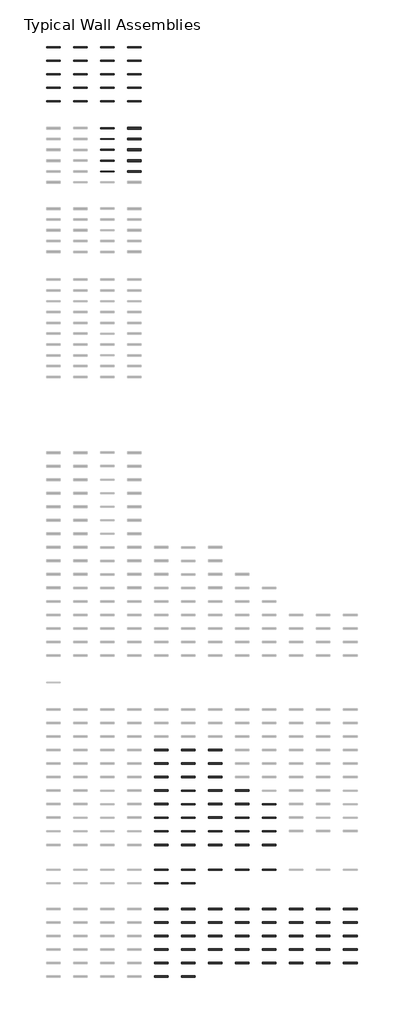
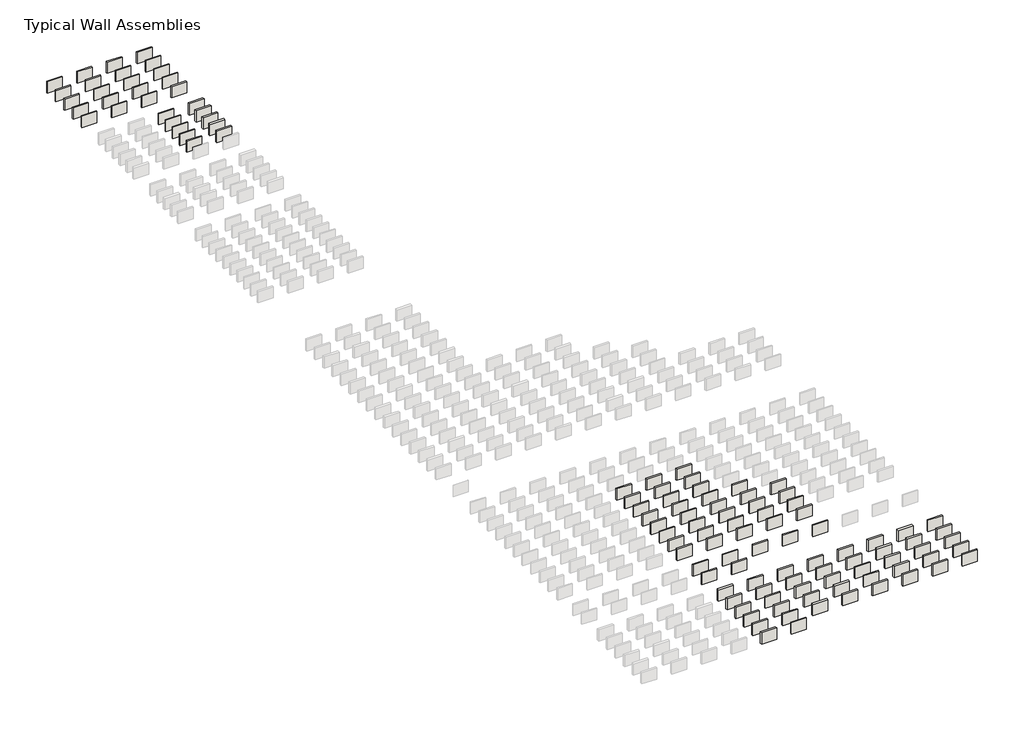
# One storey, part 3 of 8: 112 walls.
"""IFC4 building model written with IfcOpenShell, lengths in millimetres."""

from ifc_helpers import new_model, si_unit, frame, origin, place, context, project, spatial, polyline, outline, extrude, element, save

model = new_model("IFC4")

# Units and contexts
model_context = context("Model", 3, world=origin())
ifc_project = project(units=[si_unit("LENGTHUNIT", "METRE", prefix="MILLI")], contexts=[model_context])

# Site, building, storey
site = spatial("IfcSite", under=ifc_project)
building = spatial("IfcBuilding", under=site)
storey = spatial("IfcBuildingStorey", under=building, Name="Typical Wall Assemblies", Elevation=6096.0)

# Walls
placement = place(None, origin())
element("IfcWall", 1, at=placement, inside=storey, context=model_context, shape_type="SweptSolid", body=[
    extrude(outline(polyline([(-21027.125069, -1955.6842561), (-24075.125069, -1955.6842561), (-24075.125069, -1719.146749), (-21027.125069, -1719.146749), (-21027.125069, -1955.6842561)])), frame((0.0, 0.0, 6096.0), z_axis=(0.0, 0.0, 1.0), x_axis=(1.0, 0.0, 0.0)), (0.0, 0.0, 1.0), 2438.4),
])
element("IfcWall", 2, at=placement, inside=storey, context=model_context, shape_type="SweptSolid", body=[
    extrude(outline(polyline([(-14931.125069, -1950.9217561), (-17979.125069, -1950.9217561), (-17979.125069, -1723.909249), (-14931.125069, -1723.909249), (-14931.125069, -1950.9217561)])), frame((0.0, 0.0, 6096.0), z_axis=(0.0, 0.0, 1.0), x_axis=(1.0, 0.0, 0.0)), (0.0, 0.0, 1.0), 2438.4),
])
element("IfcWall", 3, at=placement, inside=storey, context=model_context, shape_type="SweptSolid", body=[
    extrude(outline(polyline([(-8835.125069, -1940.603005), (-11883.125069, -1940.603005), (-11883.125069, -1734.228), (-8835.125069, -1734.228), (-8835.125069, -1940.603005)])), frame((0.0, 0.0, 6096.0), z_axis=(0.0, 0.0, 1.0), x_axis=(1.0, 0.0, 0.0)), (0.0, 0.0, 1.0), 2438.4),
])
element("IfcWall", 4, at=placement, inside=storey, context=model_context, shape_type="SweptSolid", body=[
    extrude(outline(polyline([(-2739.125069, -1955.6842561), (-5787.125069, -1955.6842561), (-5787.125069, -1719.146749), (-2739.125069, -1719.146749), (-2739.125069, -1955.6842561)])), frame((0.0, 0.0, 6096.0), z_axis=(0.0, 0.0, 1.0), x_axis=(1.0, 0.0, 0.0)), (0.0, 0.0, 1.0), 2438.4),
])
element("IfcWall", 5, at=placement, inside=storey, context=model_context, shape_type="SweptSolid", body=[
    extrude(outline(polyline([(-21027.125069, -5003.6842561), (-24075.125069, -5003.6842561), (-24075.125069, -4767.146749), (-21027.125069, -4767.146749), (-21027.125069, -5003.6842561)])), frame((0.0, 0.0, 6096.0), z_axis=(0.0, 0.0, 1.0), x_axis=(1.0, 0.0, 0.0)), (0.0, 0.0, 1.0), 2438.4),
])
element("IfcWall", 6, at=placement, inside=storey, context=model_context, shape_type="SweptSolid", body=[
    extrude(outline(polyline([(-14931.125069, -4998.9217561), (-17979.125069, -4998.9217561), (-17979.125069, -4771.909249), (-14931.125069, -4771.909249), (-14931.125069, -4998.9217561)])), frame((0.0, 0.0, 6096.0), z_axis=(0.0, 0.0, 1.0), x_axis=(1.0, 0.0, 0.0)), (0.0, 0.0, 1.0), 2438.4),
])
element("IfcWall", 7, at=placement, inside=storey, context=model_context, shape_type="SweptSolid", body=[
    extrude(outline(polyline([(-8835.125069, -4988.603005), (-11883.125069, -4988.603005), (-11883.125069, -4782.228), (-8835.125069, -4782.228), (-8835.125069, -4988.603005)])), frame((0.0, 0.0, 6096.0), z_axis=(0.0, 0.0, 1.0), x_axis=(1.0, 0.0, 0.0)), (0.0, 0.0, 1.0), 2438.4),
])
element("IfcWall", 8, at=placement, inside=storey, context=model_context, shape_type="SweptSolid", body=[
    extrude(outline(polyline([(-2739.125069, -5003.6842561), (-5787.125069, -5003.6842561), (-5787.125069, -4767.146749), (-2739.125069, -4767.146749), (-2739.125069, -5003.6842561)])), frame((0.0, 0.0, 6096.0), z_axis=(0.0, 0.0, 1.0), x_axis=(1.0, 0.0, 0.0)), (0.0, 0.0, 1.0), 2438.4),
])
element("IfcWall", 9, at=placement, inside=storey, context=model_context, shape_type="SweptSolid", body=[
    extrude(outline(polyline([(-21027.125069, -8051.6842561), (-24075.125069, -8051.6842561), (-24075.125069, -7815.146749), (-21027.125069, -7815.146749), (-21027.125069, -8051.6842561)])), frame((0.0, 0.0, 6096.0), z_axis=(0.0, 0.0, 1.0), x_axis=(1.0, 0.0, 0.0)), (0.0, 0.0, 1.0), 2438.4),
])
element("IfcWall", 10, at=placement, inside=storey, context=model_context, shape_type="SweptSolid", body=[
    extrude(outline(polyline([(-14931.125069, -8046.9217561), (-17979.125069, -8046.9217561), (-17979.125069, -7819.909249), (-14931.125069, -7819.909249), (-14931.125069, -8046.9217561)])), frame((0.0, 0.0, 6096.0), z_axis=(0.0, 0.0, 1.0), x_axis=(1.0, 0.0, 0.0)), (0.0, 0.0, 1.0), 2438.4),
])
element("IfcWall", 11, at=placement, inside=storey, context=model_context, shape_type="SweptSolid", body=[
    extrude(outline(polyline([(-8835.125069, -8036.603005), (-11883.125069, -8036.603005), (-11883.125069, -7830.228), (-8835.125069, -7830.228), (-8835.125069, -8036.603005)])), frame((0.0, 0.0, 6096.0), z_axis=(0.0, 0.0, 1.0), x_axis=(1.0, 0.0, 0.0)), (0.0, 0.0, 1.0), 2438.4),
])
element("IfcWall", 12, at=placement, inside=storey, context=model_context, shape_type="SweptSolid", body=[
    extrude(outline(polyline([(-2739.125069, -8051.6842561), (-5787.125069, -8051.6842561), (-5787.125069, -7815.146749), (-2739.125069, -7815.146749), (-2739.125069, -8051.6842561)])), frame((0.0, 0.0, 6096.0), z_axis=(0.0, 0.0, 1.0), x_axis=(1.0, 0.0, 0.0)), (0.0, 0.0, 1.0), 2438.4),
])
element("IfcWall", 13, at=placement, inside=storey, context=model_context, shape_type="SweptSolid", body=[
    extrude(outline(polyline([(-21027.125069, -11099.6842561), (-24075.125069, -11099.6842561), (-24075.125069, -10863.146749), (-21027.125069, -10863.146749), (-21027.125069, -11099.6842561)])), frame((0.0, 0.0, 6096.0), z_axis=(0.0, 0.0, 1.0), x_axis=(1.0, 0.0, 0.0)), (0.0, 0.0, 1.0), 2438.4),
])
element("IfcWall", 14, at=placement, inside=storey, context=model_context, shape_type="SweptSolid", body=[
    extrude(outline(polyline([(-14931.125069, -11094.9217561), (-17979.125069, -11094.9217561), (-17979.125069, -10867.909249), (-14931.125069, -10867.909249), (-14931.125069, -11094.9217561)])), frame((0.0, 0.0, 6096.0), z_axis=(0.0, 0.0, 1.0), x_axis=(1.0, 0.0, 0.0)), (0.0, 0.0, 1.0), 2438.4),
])
element("IfcWall", 15, at=placement, inside=storey, context=model_context, shape_type="SweptSolid", body=[
    extrude(outline(polyline([(-8835.125069, -11084.603005), (-11883.125069, -11084.603005), (-11883.125069, -10878.228), (-8835.125069, -10878.228), (-8835.125069, -11084.603005)])), frame((0.0, 0.0, 6096.0), z_axis=(0.0, 0.0, 1.0), x_axis=(1.0, 0.0, 0.0)), (0.0, 0.0, 1.0), 2438.4),
])
element("IfcWall", 16, at=placement, inside=storey, context=model_context, shape_type="SweptSolid", body=[
    extrude(outline(polyline([(-2739.125069, -11099.6842561), (-5787.125069, -11099.6842561), (-5787.125069, -10863.146749), (-2739.125069, -10863.146749), (-2739.125069, -11099.6842561)])), frame((0.0, 0.0, 6096.0), z_axis=(0.0, 0.0, 1.0), x_axis=(1.0, 0.0, 0.0)), (0.0, 0.0, 1.0), 2438.4),
])
element("IfcWall", 17, at=placement, inside=storey, context=model_context, shape_type="SweptSolid", body=[
    extrude(outline(polyline([(-21027.125069, -14147.6842561), (-24075.125069, -14147.6842561), (-24075.125069, -13911.146749), (-21027.125069, -13911.146749), (-21027.125069, -14147.6842561)])), frame((0.0, 0.0, 6096.0), z_axis=(0.0, 0.0, 1.0), x_axis=(1.0, 0.0, 0.0)), (0.0, 0.0, 1.0), 2438.4),
])
element("IfcWall", 18, at=placement, inside=storey, context=model_context, shape_type="SweptSolid", body=[
    extrude(outline(polyline([(-14931.125069, -14142.9217561), (-17979.125069, -14142.9217561), (-17979.125069, -13915.909249), (-14931.125069, -13915.909249), (-14931.125069, -14142.9217561)])), frame((0.0, 0.0, 6096.0), z_axis=(0.0, 0.0, 1.0), x_axis=(1.0, 0.0, 0.0)), (0.0, 0.0, 1.0), 2438.4),
])
element("IfcWall", 19, at=placement, inside=storey, context=model_context, shape_type="SweptSolid", body=[
    extrude(outline(polyline([(-8835.125069, -14132.603005), (-11883.125069, -14132.603005), (-11883.125069, -13926.228), (-8835.125069, -13926.228), (-8835.125069, -14132.603005)])), frame((0.0, 0.0, 6096.0), z_axis=(0.0, 0.0, 1.0), x_axis=(1.0, 0.0, 0.0)), (0.0, 0.0, 1.0), 2438.4),
])
element("IfcWall", 20, at=placement, inside=storey, context=model_context, shape_type="SweptSolid", body=[
    extrude(outline(polyline([(-2739.125069, -14147.6842561), (-5787.125069, -14147.6842561), (-5787.125069, -13911.146749), (-2739.125069, -13911.146749), (-2739.125069, -14147.6842561)])), frame((0.0, 0.0, 6096.0), z_axis=(0.0, 0.0, 1.0), x_axis=(1.0, 0.0, 0.0)), (0.0, 0.0, 1.0), 2438.4),
])
element("IfcWall", 21, at=placement, inside=storey, context=model_context, shape_type="SweptSolid", body=[
    extrude(outline(polyline([(-8835.125069, -20227.0155056), (-11883.125069, -20227.0155056), (-11883.125069, -20023.8154995), (-8835.125069, -20023.8154995), (-8835.125069, -20227.0155056)])), frame((0.0, 0.0, 6096.0), z_axis=(0.0, 0.0, 1.0), x_axis=(1.0, 0.0, 0.0)), (0.0, 0.0, 1.0), 2438.4),
])
element("IfcWall", 22, at=placement, inside=storey, context=model_context, shape_type="SweptSolid", body=[
    extrude(outline(polyline([(-2739.125069, -20330.9967587), (-5787.125069, -20330.9967587), (-5787.125069, -19919.8342464), (-2739.125069, -19919.8342464), (-2739.125069, -20330.9967587)])), frame((0.0, 0.0, 6096.0), z_axis=(0.0, 0.0, 1.0), x_axis=(1.0, 0.0, 0.0)), (0.0, 0.0, 1.0), 2438.4),
])
element("IfcWall", 23, at=placement, inside=storey, context=model_context, shape_type="SweptSolid", body=[
    extrude(outline(polyline([(-8835.125069, -22665.4155056), (-11883.125069, -22665.4155056), (-11883.125069, -22462.2154995), (-8835.125069, -22462.2154995), (-8835.125069, -22665.4155056)])), frame((0.0, 0.0, 6096.0), z_axis=(0.0, 0.0, 1.0), x_axis=(1.0, 0.0, 0.0)), (0.0, 0.0, 1.0), 2438.4),
])
element("IfcWall", 24, at=placement, inside=storey, context=model_context, shape_type="SweptSolid", body=[
    extrude(outline(polyline([(-2739.125069, -22769.3967587), (-5787.125069, -22769.3967587), (-5787.125069, -22358.2342464), (-2739.125069, -22358.2342464), (-2739.125069, -22769.3967587)])), frame((0.0, 0.0, 6096.0), z_axis=(0.0, 0.0, 1.0), x_axis=(1.0, 0.0, 0.0)), (0.0, 0.0, 1.0), 2438.4),
])
element("IfcWall", 25, at=placement, inside=storey, context=model_context, shape_type="SweptSolid", body=[
    extrude(outline(polyline([(-8835.125069, -25103.8155056), (-11883.125069, -25103.8155056), (-11883.125069, -24900.6154995), (-8835.125069, -24900.6154995), (-8835.125069, -25103.8155056)])), frame((0.0, 0.0, 6096.0), z_axis=(0.0, 0.0, 1.0), x_axis=(1.0, 0.0, 0.0)), (0.0, 0.0, 1.0), 2438.4),
])
element("IfcWall", 26, at=placement, inside=storey, context=model_context, shape_type="SweptSolid", body=[
    extrude(outline(polyline([(-2739.125069, -25207.7967587), (-5787.125069, -25207.7967587), (-5787.125069, -24796.6342464), (-2739.125069, -24796.6342464), (-2739.125069, -25207.7967587)])), frame((0.0, 0.0, 6096.0), z_axis=(0.0, 0.0, 1.0), x_axis=(1.0, 0.0, 0.0)), (0.0, 0.0, 1.0), 2438.4),
])
element("IfcWall", 27, at=placement, inside=storey, context=model_context, shape_type="SweptSolid", body=[
    extrude(outline(polyline([(-8835.125069, -27542.2155056), (-11883.125069, -27542.2155056), (-11883.125069, -27339.0154995), (-8835.125069, -27339.0154995), (-8835.125069, -27542.2155056)])), frame((0.0, 0.0, 6096.0), z_axis=(0.0, 0.0, 1.0), x_axis=(1.0, 0.0, 0.0)), (0.0, 0.0, 1.0), 2438.4),
])
element("IfcWall", 28, at=placement, inside=storey, context=model_context, shape_type="SweptSolid", body=[
    extrude(outline(polyline([(-2739.125069, -27646.1967587), (-5787.125069, -27646.1967587), (-5787.125069, -27235.0342464), (-2739.125069, -27235.0342464), (-2739.125069, -27646.1967587)])), frame((0.0, 0.0, 6096.0), z_axis=(0.0, 0.0, 1.0), x_axis=(1.0, 0.0, 0.0)), (0.0, 0.0, 1.0), 2438.4),
])
element("IfcWall", 29, at=placement, inside=storey, context=model_context, shape_type="SweptSolid", body=[
    extrude(outline(polyline([(-8835.125069, -29980.6155056), (-11883.125069, -29980.6155056), (-11883.125069, -29777.4154995), (-8835.125069, -29777.4154995), (-8835.125069, -29980.6155056)])), frame((0.0, 0.0, 6096.0), z_axis=(0.0, 0.0, 1.0), x_axis=(1.0, 0.0, 0.0)), (0.0, 0.0, 1.0), 2438.4),
])
element("IfcWall", 30, at=placement, inside=storey, context=model_context, shape_type="SweptSolid", body=[
    extrude(outline(polyline([(-2739.125069, -30084.5967587), (-5787.125069, -30084.5967587), (-5787.125069, -29673.4342464), (-2739.125069, -29673.4342464), (-2739.125069, -30084.5967587)])), frame((0.0, 0.0, 6096.0), z_axis=(0.0, 0.0, 1.0), x_axis=(1.0, 0.0, 0.0)), (0.0, 0.0, 1.0), 2438.4),
])
element("IfcWall", 31, at=placement, inside=storey, context=model_context, shape_type="SweptSolid", body=[
    extrude(outline(polyline([(3356.874931, -160491.3717574), (308.874931, -160491.3717574), (308.874931, -160175.4592477), (3356.874931, -160175.4592477), (3356.874931, -160491.3717574)])), frame((0.0, 0.0, 6096.0), z_axis=(0.0, 0.0, 1.0), x_axis=(1.0, 0.0, 0.0)), (0.0, 0.0, 1.0), 2438.4),
])
element("IfcWall", 32, at=placement, inside=storey, context=model_context, shape_type="SweptSolid", body=[
    extrude(outline(polyline([(9452.874931, -160481.0530064), (6404.874931, -160481.0530064), (6404.874931, -160185.7779987), (9452.874931, -160185.7779987), (9452.874931, -160481.0530064)])), frame((0.0, 0.0, 6096.0), z_axis=(0.0, 0.0, 1.0), x_axis=(1.0, 0.0, 0.0)), (0.0, 0.0, 1.0), 2438.4),
])
element("IfcWall", 33, at=placement, inside=storey, context=model_context, shape_type="SweptSolid", body=[
    extrude(outline(polyline([(15548.874931, -160496.1342574), (12500.874931, -160496.1342574), (12500.874931, -160170.6967477), (15548.874931, -160170.6967477), (15548.874931, -160496.1342574)])), frame((0.0, 0.0, 6096.0), z_axis=(0.0, 0.0, 1.0), x_axis=(1.0, 0.0, 0.0)), (0.0, 0.0, 1.0), 2438.4),
])
element("IfcWall", 34, at=placement, inside=storey, context=model_context, shape_type="SweptSolid", body=[
    extrude(outline(polyline([(3356.874931, -163539.3717574), (308.874931, -163539.3717574), (308.874931, -163223.4592477), (3356.874931, -163223.4592477), (3356.874931, -163539.3717574)])), frame((0.0, 0.0, 6096.0), z_axis=(0.0, 0.0, 1.0), x_axis=(1.0, 0.0, 0.0)), (0.0, 0.0, 1.0), 2438.4),
])
element("IfcWall", 35, at=placement, inside=storey, context=model_context, shape_type="SweptSolid", body=[
    extrude(outline(polyline([(9452.874931, -163529.0530064), (6404.874931, -163529.0530064), (6404.874931, -163233.7779987), (9452.874931, -163233.7779987), (9452.874931, -163529.0530064)])), frame((0.0, 0.0, 6096.0), z_axis=(0.0, 0.0, 1.0), x_axis=(1.0, 0.0, 0.0)), (0.0, 0.0, 1.0), 2438.4),
])
element("IfcWall", 36, at=placement, inside=storey, context=model_context, shape_type="SweptSolid", body=[
    extrude(outline(polyline([(15548.874931, -163544.1342574), (12500.874931, -163544.1342574), (12500.874931, -163218.6967477), (15548.874931, -163218.6967477), (15548.874931, -163544.1342574)])), frame((0.0, 0.0, 6096.0), z_axis=(0.0, 0.0, 1.0), x_axis=(1.0, 0.0, 0.0)), (0.0, 0.0, 1.0), 2438.4),
])
element("IfcWall", 37, at=placement, inside=storey, context=model_context, shape_type="SweptSolid", body=[
    extrude(outline(polyline([(3356.874931, -166587.3717574), (308.874931, -166587.3717574), (308.874931, -166271.4592477), (3356.874931, -166271.4592477), (3356.874931, -166587.3717574)])), frame((0.0, 0.0, 6096.0), z_axis=(0.0, 0.0, 1.0), x_axis=(1.0, 0.0, 0.0)), (0.0, 0.0, 1.0), 2438.4),
])
element("IfcWall", 38, at=placement, inside=storey, context=model_context, shape_type="SweptSolid", body=[
    extrude(outline(polyline([(9452.874931, -166577.0530064), (6404.874931, -166577.0530064), (6404.874931, -166281.7779987), (9452.874931, -166281.7779987), (9452.874931, -166577.0530064)])), frame((0.0, 0.0, 6096.0), z_axis=(0.0, 0.0, 1.0), x_axis=(1.0, 0.0, 0.0)), (0.0, 0.0, 1.0), 2438.4),
])
element("IfcWall", 39, at=placement, inside=storey, context=model_context, shape_type="SweptSolid", body=[
    extrude(outline(polyline([(15548.874931, -166592.1342574), (12500.874931, -166592.1342574), (12500.874931, -166266.6967477), (15548.874931, -166266.6967477), (15548.874931, -166592.1342574)])), frame((0.0, 0.0, 6096.0), z_axis=(0.0, 0.0, 1.0), x_axis=(1.0, 0.0, 0.0)), (0.0, 0.0, 1.0), 2438.4),
])
element("IfcWall", 40, at=placement, inside=storey, context=model_context, shape_type="SweptSolid", body=[
    extrude(outline(polyline([(3356.874931, -169635.3717574), (308.874931, -169635.3717574), (308.874931, -169319.4592477), (3356.874931, -169319.4592477), (3356.874931, -169635.3717574)])), frame((0.0, 0.0, 6096.0), z_axis=(0.0, 0.0, 1.0), x_axis=(1.0, 0.0, 0.0)), (0.0, 0.0, 1.0), 2438.4),
])
element("IfcWall", 41, at=placement, inside=storey, context=model_context, shape_type="SweptSolid", body=[
    extrude(outline(polyline([(9452.874931, -169625.0530064), (6404.874931, -169625.0530064), (6404.874931, -169329.7779987), (9452.874931, -169329.7779987), (9452.874931, -169625.0530064)])), frame((0.0, 0.0, 6096.0), z_axis=(0.0, 0.0, 1.0), x_axis=(1.0, 0.0, 0.0)), (0.0, 0.0, 1.0), 2438.4),
])
element("IfcWall", 42, at=placement, inside=storey, context=model_context, shape_type="SweptSolid", body=[
    extrude(outline(polyline([(15548.874931, -169640.1342574), (12500.874931, -169640.1342574), (12500.874931, -169314.6967477), (15548.874931, -169314.6967477), (15548.874931, -169640.1342574)])), frame((0.0, 0.0, 6096.0), z_axis=(0.0, 0.0, 1.0), x_axis=(1.0, 0.0, 0.0)), (0.0, 0.0, 1.0), 2438.4),
])
element("IfcWall", 43, at=placement, inside=storey, context=model_context, shape_type="SweptSolid", body=[
    extrude(outline(polyline([(21644.874931, -169635.3717574), (18596.874931, -169635.3717574), (18596.874931, -169319.4592477), (21644.874931, -169319.4592477), (21644.874931, -169635.3717574)])), frame((0.0, 0.0, 6096.0), z_axis=(0.0, 0.0, 1.0), x_axis=(1.0, 0.0, 0.0)), (0.0, 0.0, 1.0), 2438.4),
])
element("IfcWall", 44, at=placement, inside=storey, context=model_context, shape_type="SweptSolid", body=[
    extrude(outline(polyline([(3356.874931, -172683.3717574), (308.874931, -172683.3717574), (308.874931, -172367.4592477), (3356.874931, -172367.4592477), (3356.874931, -172683.3717574)])), frame((0.0, 0.0, 6096.0), z_axis=(0.0, 0.0, 1.0), x_axis=(1.0, 0.0, 0.0)), (0.0, 0.0, 1.0), 2438.4),
])
element("IfcWall", 45, at=placement, inside=storey, context=model_context, shape_type="SweptSolid", body=[
    extrude(outline(polyline([(9452.874931, -172673.0530064), (6404.874931, -172673.0530064), (6404.874931, -172377.7779987), (9452.874931, -172377.7779987), (9452.874931, -172673.0530064)])), frame((0.0, 0.0, 6096.0), z_axis=(0.0, 0.0, 1.0), x_axis=(1.0, 0.0, 0.0)), (0.0, 0.0, 1.0), 2438.4),
])
element("IfcWall", 46, at=placement, inside=storey, context=model_context, shape_type="SweptSolid", body=[
    extrude(outline(polyline([(15548.874931, -172688.1342574), (12500.874931, -172688.1342574), (12500.874931, -172362.6967477), (15548.874931, -172362.6967477), (15548.874931, -172688.1342574)])), frame((0.0, 0.0, 6096.0), z_axis=(0.0, 0.0, 1.0), x_axis=(1.0, 0.0, 0.0)), (0.0, 0.0, 1.0), 2438.4),
])
element("IfcWall", 47, at=placement, inside=storey, context=model_context, shape_type="SweptSolid", body=[
    extrude(outline(polyline([(21644.874931, -172683.3717574), (18596.874931, -172683.3717574), (18596.874931, -172367.4592477), (21644.874931, -172367.4592477), (21644.874931, -172683.3717574)])), frame((0.0, 0.0, 6096.0), z_axis=(0.0, 0.0, 1.0), x_axis=(1.0, 0.0, 0.0)), (0.0, 0.0, 1.0), 2438.4),
])
element("IfcWall", 48, at=placement, inside=storey, context=model_context, shape_type="SweptSolid", body=[
    extrude(outline(polyline([(27740.874931, -172673.0530064), (24692.874931, -172673.0530064), (24692.874931, -172377.7779987), (27740.874931, -172377.7779987), (27740.874931, -172673.0530064)])), frame((0.0, 0.0, 6096.0), z_axis=(0.0, 0.0, 1.0), x_axis=(1.0, 0.0, 0.0)), (0.0, 0.0, 1.0), 2438.4),
])
element("IfcWall", 49, at=placement, inside=storey, context=model_context, shape_type="SweptSolid", body=[
    extrude(outline(polyline([(3356.874931, -175731.3717574), (308.874931, -175731.3717574), (308.874931, -175415.4592477), (3356.874931, -175415.4592477), (3356.874931, -175731.3717574)])), frame((0.0, 0.0, 6096.0), z_axis=(0.0, 0.0, 1.0), x_axis=(1.0, 0.0, 0.0)), (0.0, 0.0, 1.0), 2438.4),
])
element("IfcWall", 50, at=placement, inside=storey, context=model_context, shape_type="SweptSolid", body=[
    extrude(outline(polyline([(9452.874931, -175721.0530064), (6404.874931, -175721.0530064), (6404.874931, -175425.7779987), (9452.874931, -175425.7779987), (9452.874931, -175721.0530064)])), frame((0.0, 0.0, 6096.0), z_axis=(0.0, 0.0, 1.0), x_axis=(1.0, 0.0, 0.0)), (0.0, 0.0, 1.0), 2438.4),
])
element("IfcWall", 51, at=placement, inside=storey, context=model_context, shape_type="SweptSolid", body=[
    extrude(outline(polyline([(15548.874931, -175736.1342574), (12500.874931, -175736.1342574), (12500.874931, -175410.6967477), (15548.874931, -175410.6967477), (15548.874931, -175736.1342574)])), frame((0.0, 0.0, 6096.0), z_axis=(0.0, 0.0, 1.0), x_axis=(1.0, 0.0, 0.0)), (0.0, 0.0, 1.0), 2438.4),
])
element("IfcWall", 52, at=placement, inside=storey, context=model_context, shape_type="SweptSolid", body=[
    extrude(outline(polyline([(21644.874931, -175731.3717574), (18596.874931, -175731.3717574), (18596.874931, -175415.4592477), (21644.874931, -175415.4592477), (21644.874931, -175731.3717574)])), frame((0.0, 0.0, 6096.0), z_axis=(0.0, 0.0, 1.0), x_axis=(1.0, 0.0, 0.0)), (0.0, 0.0, 1.0), 2438.4),
])
element("IfcWall", 53, at=placement, inside=storey, context=model_context, shape_type="SweptSolid", body=[
    extrude(outline(polyline([(27740.874931, -175721.0530064), (24692.874931, -175721.0530064), (24692.874931, -175425.7779987), (27740.874931, -175425.7779987), (27740.874931, -175721.0530064)])), frame((0.0, 0.0, 6096.0), z_axis=(0.0, 0.0, 1.0), x_axis=(1.0, 0.0, 0.0)), (0.0, 0.0, 1.0), 2438.4),
])
element("IfcWall", 54, at=placement, inside=storey, context=model_context, shape_type="SweptSolid", body=[
    extrude(outline(polyline([(3356.874931, -178779.3717574), (308.874931, -178779.3717574), (308.874931, -178463.4592477), (3356.874931, -178463.4592477), (3356.874931, -178779.3717574)])), frame((0.0, 0.0, 6096.0), z_axis=(0.0, 0.0, 1.0), x_axis=(1.0, 0.0, 0.0)), (0.0, 0.0, 1.0), 2438.4),
])
element("IfcWall", 55, at=placement, inside=storey, context=model_context, shape_type="SweptSolid", body=[
    extrude(outline(polyline([(9452.874931, -178769.0530064), (6404.874931, -178769.0530064), (6404.874931, -178473.7779987), (9452.874931, -178473.7779987), (9452.874931, -178769.0530064)])), frame((0.0, 0.0, 6096.0), z_axis=(0.0, 0.0, 1.0), x_axis=(1.0, 0.0, 0.0)), (0.0, 0.0, 1.0), 2438.4),
])
element("IfcWall", 56, at=placement, inside=storey, context=model_context, shape_type="SweptSolid", body=[
    extrude(outline(polyline([(15548.874931, -178784.1342574), (12500.874931, -178784.1342574), (12500.874931, -178458.6967477), (15548.874931, -178458.6967477), (15548.874931, -178784.1342574)])), frame((0.0, 0.0, 6096.0), z_axis=(0.0, 0.0, 1.0), x_axis=(1.0, 0.0, 0.0)), (0.0, 0.0, 1.0), 2438.4),
])
element("IfcWall", 57, at=placement, inside=storey, context=model_context, shape_type="SweptSolid", body=[
    extrude(outline(polyline([(21644.874931, -178779.3717574), (18596.874931, -178779.3717574), (18596.874931, -178463.4592477), (21644.874931, -178463.4592477), (21644.874931, -178779.3717574)])), frame((0.0, 0.0, 6096.0), z_axis=(0.0, 0.0, 1.0), x_axis=(1.0, 0.0, 0.0)), (0.0, 0.0, 1.0), 2438.4),
])
element("IfcWall", 58, at=placement, inside=storey, context=model_context, shape_type="SweptSolid", body=[
    extrude(outline(polyline([(27740.874931, -178769.0530064), (24692.874931, -178769.0530064), (24692.874931, -178473.7779987), (27740.874931, -178473.7779987), (27740.874931, -178769.0530064)])), frame((0.0, 0.0, 6096.0), z_axis=(0.0, 0.0, 1.0), x_axis=(1.0, 0.0, 0.0)), (0.0, 0.0, 1.0), 2438.4),
])
element("IfcWall", 59, at=placement, inside=storey, context=model_context, shape_type="SweptSolid", body=[
    extrude(outline(polyline([(3356.874931, -187421.7217561), (308.874931, -187421.7217561), (308.874931, -187194.709249), (3356.874931, -187194.709249), (3356.874931, -187421.7217561)])), frame((0.0, 0.0, 6096.0), z_axis=(0.0, 0.0, 1.0), x_axis=(1.0, 0.0, 0.0)), (0.0, 0.0, 1.0), 2438.4),
])
element("IfcWall", 60, at=placement, inside=storey, context=model_context, shape_type="SweptSolid", body=[
    extrude(outline(polyline([(9452.874931, -187411.403005), (6404.874931, -187411.403005), (6404.874931, -187205.028), (9452.874931, -187205.028), (9452.874931, -187411.403005)])), frame((0.0, 0.0, 6096.0), z_axis=(0.0, 0.0, 1.0), x_axis=(1.0, 0.0, 0.0)), (0.0, 0.0, 1.0), 2438.4),
])
element("IfcWall", 61, at=placement, inside=storey, context=model_context, shape_type="SweptSolid", body=[
    extrude(outline(polyline([(15548.874931, -187426.4842561), (12500.874931, -187426.4842561), (12500.874931, -187189.946749), (15548.874931, -187189.946749), (15548.874931, -187426.4842561)])), frame((0.0, 0.0, 6096.0), z_axis=(0.0, 0.0, 1.0), x_axis=(1.0, 0.0, 0.0)), (0.0, 0.0, 1.0), 2438.4),
])
element("IfcWall", 62, at=placement, inside=storey, context=model_context, shape_type="SweptSolid", body=[
    extrude(outline(polyline([(21644.874931, -187421.7217561), (18596.874931, -187421.7217561), (18596.874931, -187194.709249), (21644.874931, -187194.709249), (21644.874931, -187421.7217561)])), frame((0.0, 0.0, 6096.0), z_axis=(0.0, 0.0, 1.0), x_axis=(1.0, 0.0, 0.0)), (0.0, 0.0, 1.0), 2438.4),
])
element("IfcWall", 63, at=placement, inside=storey, context=model_context, shape_type="SweptSolid", body=[
    extrude(outline(polyline([(27740.874931, -187411.403005), (24692.874931, -187411.403005), (24692.874931, -187205.028), (27740.874931, -187205.028), (27740.874931, -187411.403005)])), frame((0.0, 0.0, 6096.0), z_axis=(0.0, 0.0, 1.0), x_axis=(1.0, 0.0, 0.0)), (0.0, 0.0, 1.0), 2438.4),
])
element("IfcWall", 64, at=placement, inside=storey, context=model_context, shape_type="SweptSolid", body=[
    extrude(outline(polyline([(3356.874931, -190469.7217561), (308.874931, -190469.7217561), (308.874931, -190242.709249), (3356.874931, -190242.709249), (3356.874931, -190469.7217561)])), frame((0.0, 0.0, 6096.0), z_axis=(0.0, 0.0, 1.0), x_axis=(1.0, 0.0, 0.0)), (0.0, 0.0, 1.0), 2438.4),
])
element("IfcWall", 65, at=placement, inside=storey, context=model_context, shape_type="SweptSolid", body=[
    extrude(outline(polyline([(9452.874931, -190459.403005), (6404.874931, -190459.403005), (6404.874931, -190253.028), (9452.874931, -190253.028), (9452.874931, -190459.403005)])), frame((0.0, 0.0, 6096.0), z_axis=(0.0, 0.0, 1.0), x_axis=(1.0, 0.0, 0.0)), (0.0, 0.0, 1.0), 2438.4),
])
element("IfcWall", 66, at=placement, inside=storey, context=model_context, shape_type="SweptSolid", body=[
    extrude(outline(polyline([(3356.874931, -196341.8842556), (308.874931, -196341.8842556), (308.874931, -195952.9467494), (3356.874931, -195952.9467494), (3356.874931, -196341.8842556)])), frame((0.0, 0.0, 6096.0), z_axis=(0.0, 0.0, 1.0), x_axis=(1.0, 0.0, 0.0)), (0.0, 0.0, 1.0), 2438.4),
])
element("IfcWall", 67, at=placement, inside=storey, context=model_context, shape_type="SweptSolid", body=[
    extrude(outline(polyline([(9452.874931, -196302.9905038), (6404.874931, -196302.9905038), (6404.874931, -195991.8405013), (9452.874931, -195991.8405013), (9452.874931, -196302.9905038)])), frame((0.0, 0.0, 6096.0), z_axis=(0.0, 0.0, 1.0), x_axis=(1.0, 0.0, 0.0)), (0.0, 0.0, 1.0), 2438.4),
])
element("IfcWall", 68, at=placement, inside=storey, context=model_context, shape_type="SweptSolid", body=[
    extrude(outline(polyline([(15548.874931, -196346.6467556), (12500.874931, -196346.6467556), (12500.874931, -195948.1842494), (15548.874931, -195948.1842494), (15548.874931, -196346.6467556)])), frame((0.0, 0.0, 6096.0), z_axis=(0.0, 0.0, 1.0), x_axis=(1.0, 0.0, 0.0)), (0.0, 0.0, 1.0), 2438.4),
])
element("IfcWall", 69, at=placement, inside=storey, context=model_context, shape_type="SweptSolid", body=[
    extrude(outline(polyline([(21644.874931, -196341.8842556), (18596.874931, -196341.8842556), (18596.874931, -195952.9467494), (21644.874931, -195952.9467494), (21644.874931, -196341.8842556)])), frame((0.0, 0.0, 6096.0), z_axis=(0.0, 0.0, 1.0), x_axis=(1.0, 0.0, 0.0)), (0.0, 0.0, 1.0), 2438.4),
])
element("IfcWall", 70, at=placement, inside=storey, context=model_context, shape_type="SweptSolid", body=[
    extrude(outline(polyline([(27740.874931, -196302.9905038), (24692.874931, -196302.9905038), (24692.874931, -195991.8405013), (27740.874931, -195991.8405013), (27740.874931, -196302.9905038)])), frame((0.0, 0.0, 6096.0), z_axis=(0.0, 0.0, 1.0), x_axis=(1.0, 0.0, 0.0)), (0.0, 0.0, 1.0), 2438.4),
])
element("IfcWall", 71, at=placement, inside=storey, context=model_context, shape_type="SweptSolid", body=[
    extrude(outline(polyline([(33836.874931, -196346.6467556), (30788.874931, -196346.6467556), (30788.874931, -195948.1842494), (33836.874931, -195948.1842494), (33836.874931, -196346.6467556)])), frame((0.0, 0.0, 6096.0), z_axis=(0.0, 0.0, 1.0), x_axis=(1.0, 0.0, 0.0)), (0.0, 0.0, 1.0), 2438.4),
])
element("IfcWall", 72, at=placement, inside=storey, context=model_context, shape_type="SweptSolid", body=[
    extrude(outline(polyline([(39932.874931, -196341.8842556), (36884.874931, -196341.8842556), (36884.874931, -195952.9467494), (39932.874931, -195952.9467494), (39932.874931, -196341.8842556)])), frame((0.0, 0.0, 6096.0), z_axis=(0.0, 0.0, 1.0), x_axis=(1.0, 0.0, 0.0)), (0.0, 0.0, 1.0), 2438.4),
])
element("IfcWall", 73, at=placement, inside=storey, context=model_context, shape_type="SweptSolid", body=[
    extrude(outline(polyline([(46028.874931, -196302.9905038), (42980.874931, -196302.9905038), (42980.874931, -195991.8405013), (46028.874931, -195991.8405013), (46028.874931, -196302.9905038)])), frame((0.0, 0.0, 6096.0), z_axis=(0.0, 0.0, 1.0), x_axis=(1.0, 0.0, 0.0)), (0.0, 0.0, 1.0), 2438.4),
])
element("IfcWall", 74, at=placement, inside=storey, context=model_context, shape_type="SweptSolid", body=[
    extrude(outline(polyline([(3356.874931, -199389.8842556), (308.874931, -199389.8842556), (308.874931, -199000.9467494), (3356.874931, -199000.9467494), (3356.874931, -199389.8842556)])), frame((0.0, 0.0, 6096.0), z_axis=(0.0, 0.0, 1.0), x_axis=(1.0, 0.0, 0.0)), (0.0, 0.0, 1.0), 2438.4),
])
element("IfcWall", 75, at=placement, inside=storey, context=model_context, shape_type="SweptSolid", body=[
    extrude(outline(polyline([(9452.874931, -199350.9905038), (6404.874931, -199350.9905038), (6404.874931, -199039.8405013), (9452.874931, -199039.8405013), (9452.874931, -199350.9905038)])), frame((0.0, 0.0, 6096.0), z_axis=(0.0, 0.0, 1.0), x_axis=(1.0, 0.0, 0.0)), (0.0, 0.0, 1.0), 2438.4),
])
element("IfcWall", 76, at=placement, inside=storey, context=model_context, shape_type="SweptSolid", body=[
    extrude(outline(polyline([(15548.874931, -199394.6467556), (12500.874931, -199394.6467556), (12500.874931, -198996.1842494), (15548.874931, -198996.1842494), (15548.874931, -199394.6467556)])), frame((0.0, 0.0, 6096.0), z_axis=(0.0, 0.0, 1.0), x_axis=(1.0, 0.0, 0.0)), (0.0, 0.0, 1.0), 2438.4),
])
element("IfcWall", 77, at=placement, inside=storey, context=model_context, shape_type="SweptSolid", body=[
    extrude(outline(polyline([(21644.874931, -199389.8842556), (18596.874931, -199389.8842556), (18596.874931, -199000.9467494), (21644.874931, -199000.9467494), (21644.874931, -199389.8842556)])), frame((0.0, 0.0, 6096.0), z_axis=(0.0, 0.0, 1.0), x_axis=(1.0, 0.0, 0.0)), (0.0, 0.0, 1.0), 2438.4),
])
element("IfcWall", 78, at=placement, inside=storey, context=model_context, shape_type="SweptSolid", body=[
    extrude(outline(polyline([(27740.874931, -199350.9905038), (24692.874931, -199350.9905038), (24692.874931, -199039.8405013), (27740.874931, -199039.8405013), (27740.874931, -199350.9905038)])), frame((0.0, 0.0, 6096.0), z_axis=(0.0, 0.0, 1.0), x_axis=(1.0, 0.0, 0.0)), (0.0, 0.0, 1.0), 2438.4),
])
element("IfcWall", 79, at=placement, inside=storey, context=model_context, shape_type="SweptSolid", body=[
    extrude(outline(polyline([(33836.874931, -199394.6467556), (30788.874931, -199394.6467556), (30788.874931, -198996.1842494), (33836.874931, -198996.1842494), (33836.874931, -199394.6467556)])), frame((0.0, 0.0, 6096.0), z_axis=(0.0, 0.0, 1.0), x_axis=(1.0, 0.0, 0.0)), (0.0, 0.0, 1.0), 2438.4),
])
element("IfcWall", 80, at=placement, inside=storey, context=model_context, shape_type="SweptSolid", body=[
    extrude(outline(polyline([(39932.874931, -199389.8842556), (36884.874931, -199389.8842556), (36884.874931, -199000.9467494), (39932.874931, -199000.9467494), (39932.874931, -199389.8842556)])), frame((0.0, 0.0, 6096.0), z_axis=(0.0, 0.0, 1.0), x_axis=(1.0, 0.0, 0.0)), (0.0, 0.0, 1.0), 2438.4),
])
element("IfcWall", 81, at=placement, inside=storey, context=model_context, shape_type="SweptSolid", body=[
    extrude(outline(polyline([(46028.874931, -199350.9905038), (42980.874931, -199350.9905038), (42980.874931, -199039.8405013), (46028.874931, -199039.8405013), (46028.874931, -199350.9905038)])), frame((0.0, 0.0, 6096.0), z_axis=(0.0, 0.0, 1.0), x_axis=(1.0, 0.0, 0.0)), (0.0, 0.0, 1.0), 2438.4),
])
element("IfcWall", 82, at=placement, inside=storey, context=model_context, shape_type="SweptSolid", body=[
    extrude(outline(polyline([(3356.874931, -202437.8842556), (308.874931, -202437.8842556), (308.874931, -202048.9467494), (3356.874931, -202048.9467494), (3356.874931, -202437.8842556)])), frame((0.0, 0.0, 6096.0), z_axis=(0.0, 0.0, 1.0), x_axis=(1.0, 0.0, 0.0)), (0.0, 0.0, 1.0), 2438.4),
])
element("IfcWall", 83, at=placement, inside=storey, context=model_context, shape_type="SweptSolid", body=[
    extrude(outline(polyline([(9452.874931, -202398.9905038), (6404.874931, -202398.9905038), (6404.874931, -202087.8405013), (9452.874931, -202087.8405013), (9452.874931, -202398.9905038)])), frame((0.0, 0.0, 6096.0), z_axis=(0.0, 0.0, 1.0), x_axis=(1.0, 0.0, 0.0)), (0.0, 0.0, 1.0), 2438.4),
])
element("IfcWall", 84, at=placement, inside=storey, context=model_context, shape_type="SweptSolid", body=[
    extrude(outline(polyline([(15548.874931, -202442.6467556), (12500.874931, -202442.6467556), (12500.874931, -202044.1842494), (15548.874931, -202044.1842494), (15548.874931, -202442.6467556)])), frame((0.0, 0.0, 6096.0), z_axis=(0.0, 0.0, 1.0), x_axis=(1.0, 0.0, 0.0)), (0.0, 0.0, 1.0), 2438.4),
])
element("IfcWall", 85, at=placement, inside=storey, context=model_context, shape_type="SweptSolid", body=[
    extrude(outline(polyline([(21644.874931, -202437.8842556), (18596.874931, -202437.8842556), (18596.874931, -202048.9467494), (21644.874931, -202048.9467494), (21644.874931, -202437.8842556)])), frame((0.0, 0.0, 6096.0), z_axis=(0.0, 0.0, 1.0), x_axis=(1.0, 0.0, 0.0)), (0.0, 0.0, 1.0), 2438.4),
])
element("IfcWall", 86, at=placement, inside=storey, context=model_context, shape_type="SweptSolid", body=[
    extrude(outline(polyline([(27740.874931, -202398.9905038), (24692.874931, -202398.9905038), (24692.874931, -202087.8405013), (27740.874931, -202087.8405013), (27740.874931, -202398.9905038)])), frame((0.0, 0.0, 6096.0), z_axis=(0.0, 0.0, 1.0), x_axis=(1.0, 0.0, 0.0)), (0.0, 0.0, 1.0), 2438.4),
])
element("IfcWall", 87, at=placement, inside=storey, context=model_context, shape_type="SweptSolid", body=[
    extrude(outline(polyline([(33836.874931, -202442.6467556), (30788.874931, -202442.6467556), (30788.874931, -202044.1842494), (33836.874931, -202044.1842494), (33836.874931, -202442.6467556)])), frame((0.0, 0.0, 6096.0), z_axis=(0.0, 0.0, 1.0), x_axis=(1.0, 0.0, 0.0)), (0.0, 0.0, 1.0), 2438.4),
])
element("IfcWall", 88, at=placement, inside=storey, context=model_context, shape_type="SweptSolid", body=[
    extrude(outline(polyline([(39932.874931, -202437.8842556), (36884.874931, -202437.8842556), (36884.874931, -202048.9467494), (39932.874931, -202048.9467494), (39932.874931, -202437.8842556)])), frame((0.0, 0.0, 6096.0), z_axis=(0.0, 0.0, 1.0), x_axis=(1.0, 0.0, 0.0)), (0.0, 0.0, 1.0), 2438.4),
])
element("IfcWall", 89, at=placement, inside=storey, context=model_context, shape_type="SweptSolid", body=[
    extrude(outline(polyline([(46028.874931, -202398.9905038), (42980.874931, -202398.9905038), (42980.874931, -202087.8405013), (46028.874931, -202087.8405013), (46028.874931, -202398.9905038)])), frame((0.0, 0.0, 6096.0), z_axis=(0.0, 0.0, 1.0), x_axis=(1.0, 0.0, 0.0)), (0.0, 0.0, 1.0), 2438.4),
])
element("IfcWall", 90, at=placement, inside=storey, context=model_context, shape_type="SweptSolid", body=[
    extrude(outline(polyline([(3356.874931, -205485.8842556), (308.874931, -205485.8842556), (308.874931, -205096.9467494), (3356.874931, -205096.9467494), (3356.874931, -205485.8842556)])), frame((0.0, 0.0, 6096.0), z_axis=(0.0, 0.0, 1.0), x_axis=(1.0, 0.0, 0.0)), (0.0, 0.0, 1.0), 2438.4),
])
element("IfcWall", 91, at=placement, inside=storey, context=model_context, shape_type="SweptSolid", body=[
    extrude(outline(polyline([(9452.874931, -205446.9905038), (6404.874931, -205446.9905038), (6404.874931, -205135.8405013), (9452.874931, -205135.8405013), (9452.874931, -205446.9905038)])), frame((0.0, 0.0, 6096.0), z_axis=(0.0, 0.0, 1.0), x_axis=(1.0, 0.0, 0.0)), (0.0, 0.0, 1.0), 2438.4),
])
element("IfcWall", 92, at=placement, inside=storey, context=model_context, shape_type="SweptSolid", body=[
    extrude(outline(polyline([(15548.874931, -205490.6467556), (12500.874931, -205490.6467556), (12500.874931, -205092.1842494), (15548.874931, -205092.1842494), (15548.874931, -205490.6467556)])), frame((0.0, 0.0, 6096.0), z_axis=(0.0, 0.0, 1.0), x_axis=(1.0, 0.0, 0.0)), (0.0, 0.0, 1.0), 2438.4),
])
element("IfcWall", 93, at=placement, inside=storey, context=model_context, shape_type="SweptSolid", body=[
    extrude(outline(polyline([(21644.874931, -205485.8842556), (18596.874931, -205485.8842556), (18596.874931, -205096.9467494), (21644.874931, -205096.9467494), (21644.874931, -205485.8842556)])), frame((0.0, 0.0, 6096.0), z_axis=(0.0, 0.0, 1.0), x_axis=(1.0, 0.0, 0.0)), (0.0, 0.0, 1.0), 2438.4),
])
element("IfcWall", 94, at=placement, inside=storey, context=model_context, shape_type="SweptSolid", body=[
    extrude(outline(polyline([(27740.874931, -205446.9905038), (24692.874931, -205446.9905038), (24692.874931, -205135.8405013), (27740.874931, -205135.8405013), (27740.874931, -205446.9905038)])), frame((0.0, 0.0, 6096.0), z_axis=(0.0, 0.0, 1.0), x_axis=(1.0, 0.0, 0.0)), (0.0, 0.0, 1.0), 2438.4),
])
element("IfcWall", 95, at=placement, inside=storey, context=model_context, shape_type="SweptSolid", body=[
    extrude(outline(polyline([(33836.874931, -205490.6467556), (30788.874931, -205490.6467556), (30788.874931, -205092.1842494), (33836.874931, -205092.1842494), (33836.874931, -205490.6467556)])), frame((0.0, 0.0, 6096.0), z_axis=(0.0, 0.0, 1.0), x_axis=(1.0, 0.0, 0.0)), (0.0, 0.0, 1.0), 2438.4),
])
element("IfcWall", 96, at=placement, inside=storey, context=model_context, shape_type="SweptSolid", body=[
    extrude(outline(polyline([(39932.874931, -205485.8842556), (36884.874931, -205485.8842556), (36884.874931, -205096.9467494), (39932.874931, -205096.9467494), (39932.874931, -205485.8842556)])), frame((0.0, 0.0, 6096.0), z_axis=(0.0, 0.0, 1.0), x_axis=(1.0, 0.0, 0.0)), (0.0, 0.0, 1.0), 2438.4),
])
element("IfcWall", 97, at=placement, inside=storey, context=model_context, shape_type="SweptSolid", body=[
    extrude(outline(polyline([(46028.874931, -205446.9905038), (42980.874931, -205446.9905038), (42980.874931, -205135.8405013), (46028.874931, -205135.8405013), (46028.874931, -205446.9905038)])), frame((0.0, 0.0, 6096.0), z_axis=(0.0, 0.0, 1.0), x_axis=(1.0, 0.0, 0.0)), (0.0, 0.0, 1.0), 2438.4),
])
element("IfcWall", 98, at=placement, inside=storey, context=model_context, shape_type="SweptSolid", body=[
    extrude(outline(polyline([(3356.874931, -208533.8842556), (308.874931, -208533.8842556), (308.874931, -208144.9467494), (3356.874931, -208144.9467494), (3356.874931, -208533.8842556)])), frame((0.0, 0.0, 6096.0), z_axis=(0.0, 0.0, 1.0), x_axis=(1.0, 0.0, 0.0)), (0.0, 0.0, 1.0), 2438.4),
])
element("IfcWall", 99, at=placement, inside=storey, context=model_context, shape_type="SweptSolid", body=[
    extrude(outline(polyline([(9452.874931, -208494.9905038), (6404.874931, -208494.9905038), (6404.874931, -208183.8405013), (9452.874931, -208183.8405013), (9452.874931, -208494.9905038)])), frame((0.0, 0.0, 6096.0), z_axis=(0.0, 0.0, 1.0), x_axis=(1.0, 0.0, 0.0)), (0.0, 0.0, 1.0), 2438.4),
])
element("IfcWall", 100, at=placement, inside=storey, context=model_context, shape_type="SweptSolid", body=[
    extrude(outline(polyline([(15548.874931, -208538.6467556), (12500.874931, -208538.6467556), (12500.874931, -208140.1842494), (15548.874931, -208140.1842494), (15548.874931, -208538.6467556)])), frame((0.0, 0.0, 6096.0), z_axis=(0.0, 0.0, 1.0), x_axis=(1.0, 0.0, 0.0)), (0.0, 0.0, 1.0), 2438.4),
])
element("IfcWall", 101, at=placement, inside=storey, context=model_context, shape_type="SweptSolid", body=[
    extrude(outline(polyline([(21644.874931, -208533.8842556), (18596.874931, -208533.8842556), (18596.874931, -208144.9467494), (21644.874931, -208144.9467494), (21644.874931, -208533.8842556)])), frame((0.0, 0.0, 6096.0), z_axis=(0.0, 0.0, 1.0), x_axis=(1.0, 0.0, 0.0)), (0.0, 0.0, 1.0), 2438.4),
])
element("IfcWall", 102, at=placement, inside=storey, context=model_context, shape_type="SweptSolid", body=[
    extrude(outline(polyline([(27740.874931, -208494.9905038), (24692.874931, -208494.9905038), (24692.874931, -208183.8405013), (27740.874931, -208183.8405013), (27740.874931, -208494.9905038)])), frame((0.0, 0.0, 6096.0), z_axis=(0.0, 0.0, 1.0), x_axis=(1.0, 0.0, 0.0)), (0.0, 0.0, 1.0), 2438.4),
])
element("IfcWall", 103, at=placement, inside=storey, context=model_context, shape_type="SweptSolid", body=[
    extrude(outline(polyline([(33836.874931, -208538.6467556), (30788.874931, -208538.6467556), (30788.874931, -208140.1842494), (33836.874931, -208140.1842494), (33836.874931, -208538.6467556)])), frame((0.0, 0.0, 6096.0), z_axis=(0.0, 0.0, 1.0), x_axis=(1.0, 0.0, 0.0)), (0.0, 0.0, 1.0), 2438.4),
])
element("IfcWall", 104, at=placement, inside=storey, context=model_context, shape_type="SweptSolid", body=[
    extrude(outline(polyline([(39932.874931, -208533.8842556), (36884.874931, -208533.8842556), (36884.874931, -208144.9467494), (39932.874931, -208144.9467494), (39932.874931, -208533.8842556)])), frame((0.0, 0.0, 6096.0), z_axis=(0.0, 0.0, 1.0), x_axis=(1.0, 0.0, 0.0)), (0.0, 0.0, 1.0), 2438.4),
])
element("IfcWall", 105, at=placement, inside=storey, context=model_context, shape_type="SweptSolid", body=[
    extrude(outline(polyline([(46028.874931, -208494.9905038), (42980.874931, -208494.9905038), (42980.874931, -208183.8405013), (46028.874931, -208183.8405013), (46028.874931, -208494.9905038)])), frame((0.0, 0.0, 6096.0), z_axis=(0.0, 0.0, 1.0), x_axis=(1.0, 0.0, 0.0)), (0.0, 0.0, 1.0), 2438.4),
])
element("IfcWall", 106, at=placement, inside=storey, context=model_context, shape_type="SweptSolid", body=[
    extrude(outline(polyline([(3356.874931, -211581.8842556), (308.874931, -211581.8842556), (308.874931, -211192.9467494), (3356.874931, -211192.9467494), (3356.874931, -211581.8842556)])), frame((0.0, 0.0, 6096.0), z_axis=(0.0, 0.0, 1.0), x_axis=(1.0, 0.0, 0.0)), (0.0, 0.0, 1.0), 2438.4),
])
element("IfcWall", 107, at=placement, inside=storey, context=model_context, shape_type="SweptSolid", body=[
    extrude(outline(polyline([(9452.874931, -211542.9905038), (6404.874931, -211542.9905038), (6404.874931, -211231.8405013), (9452.874931, -211231.8405013), (9452.874931, -211542.9905038)])), frame((0.0, 0.0, 6096.0), z_axis=(0.0, 0.0, 1.0), x_axis=(1.0, 0.0, 0.0)), (0.0, 0.0, 1.0), 2438.4),
])
element("IfcWall", 108, at=placement, inside=storey, context=model_context, shape_type="SweptSolid", body=[
    extrude(outline(polyline([(3356.874931, -181863.0905122), (308.874931, -181863.0905122), (308.874931, -181547.1780025), (3356.874931, -181547.1780025), (3356.874931, -181863.0905122)])), frame((0.0, 0.0, 6096.0), z_axis=(0.0, 0.0, 1.0), x_axis=(1.0, 0.0, 0.0)), (0.0, 0.0, 1.0), 2438.4),
])
element("IfcWall", 109, at=placement, inside=storey, context=model_context, shape_type="SweptSolid", body=[
    extrude(outline(polyline([(9452.874931, -181852.7717612), (6404.874931, -181852.7717612), (6404.874931, -181557.4967535), (9452.874931, -181557.4967535), (9452.874931, -181852.7717612)])), frame((0.0, 0.0, 6096.0), z_axis=(0.0, 0.0, 1.0), x_axis=(1.0, 0.0, 0.0)), (0.0, 0.0, 1.0), 2438.4),
])
element("IfcWall", 110, at=placement, inside=storey, context=model_context, shape_type="SweptSolid", body=[
    extrude(outline(polyline([(15548.874931, -181867.8530122), (12500.874931, -181867.8530122), (12500.874931, -181542.4155025), (15548.874931, -181542.4155025), (15548.874931, -181867.8530122)])), frame((0.0, 0.0, 6096.0), z_axis=(0.0, 0.0, 1.0), x_axis=(1.0, 0.0, 0.0)), (0.0, 0.0, 1.0), 2438.4),
])
element("IfcWall", 111, at=placement, inside=storey, context=model_context, shape_type="SweptSolid", body=[
    extrude(outline(polyline([(21644.874931, -181863.0905122), (18596.874931, -181863.0905122), (18596.874931, -181547.1780025), (21644.874931, -181547.1780025), (21644.874931, -181863.0905122)])), frame((0.0, 0.0, 6096.0), z_axis=(0.0, 0.0, 1.0), x_axis=(1.0, 0.0, 0.0)), (0.0, 0.0, 1.0), 2438.4),
])
element("IfcWall", 112, at=placement, inside=storey, context=model_context, shape_type="SweptSolid", body=[
    extrude(outline(polyline([(27740.874931, -181852.7717612), (24692.874931, -181852.7717612), (24692.874931, -181557.4967535), (27740.874931, -181557.4967535), (27740.874931, -181852.7717612)])), frame((0.0, 0.0, 6096.0), z_axis=(0.0, 0.0, 1.0), x_axis=(1.0, 0.0, 0.0)), (0.0, 0.0, 1.0), 2438.4),
])

save(model, "model.ifc")
